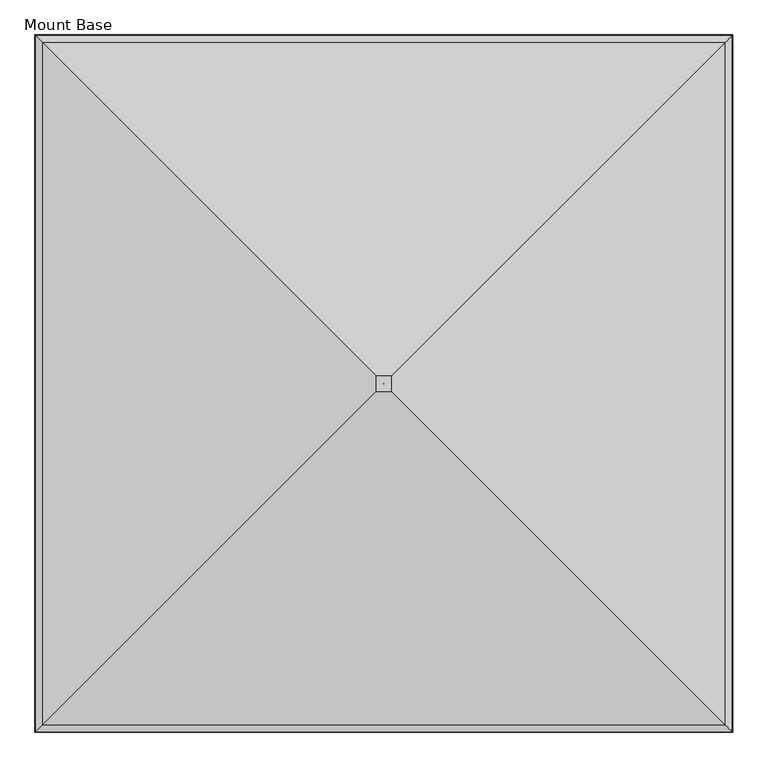
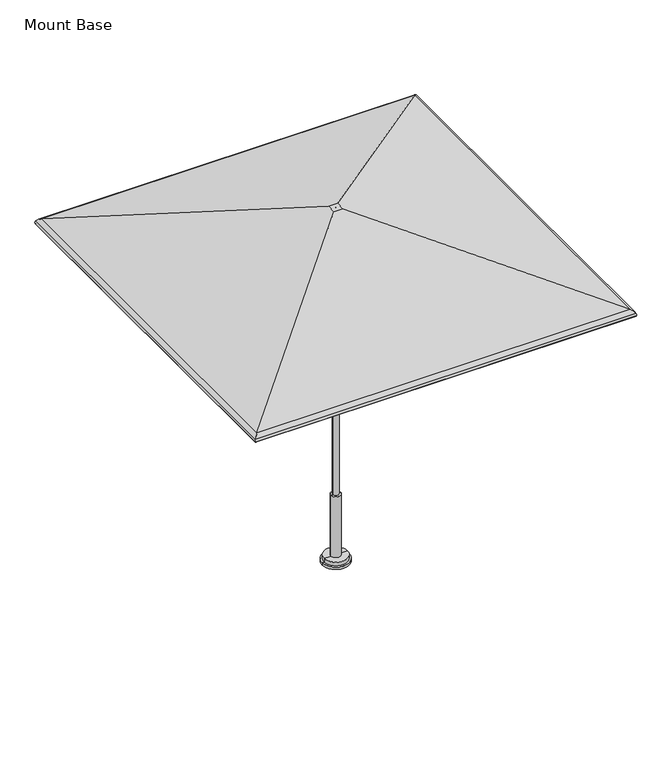
"""IFC4 building model written with IfcOpenShell, lengths in millimetres: furniture geometry, Mount Base."""

from ifc_helpers import new_model, si_unit, frame, origin, place, context, project, spatial, polyline, circle_curve, ellipse_curve, source, transform, mapped, element, save
from ifc_brep_helpers import plane_surface, cylinder_surface, revolved_surface, advanced_brep


def mount_base_bec93629(model_context):
    return source(origin(), model_context, "Body", "AdvancedBrep", [
        advanced_brep(
        [(1223.4008004, -1227.8003535, 2056.1384861), (29.1271987, -33.5267518, 2448.9851097), (-29.1271987, -33.5267518, 2448.9851097), (-1223.4008004, -1227.8003535, 2056.1384861), (1247.9240129, -1252.323566, 2036.3991387), (-1247.9240129, -1252.323566, 2036.3991387), (1250.4423911, -1254.8419442, 2016.9581742), (-1250.4423911, -1254.8419442, 2016.9581742), (1246.050839, -1250.4503921, 2018.201129), (-1246.050839, -1250.4503921, 2018.201129), (1243.9941233, -1248.3936765, 2034.0782262), (-1243.9941233, -1248.3936765, 2034.0782262), (1221.9738888, -1226.3734419, 2051.8032133), (-1221.9738888, -1226.3734419, 2051.8032133), (28.3958193, -32.7953724, 2444.4210472), (-28.3958193, -32.7953724, 2444.4210472), (0.1068966, -4.5064497, 2448.9851097), (0.1068966, -4.5064497, 2444.4210472), (-0.1068966, -4.5064497, 2444.4210472), (-0.1068966, -4.5064497, 2448.9851097), (-29.1271987, 25.4668702, 2448.9851097), (-1223.4008004, 1219.740472, 2056.1384861), (-1247.9240129, 1244.2636844, 2036.3991387), (-1250.4423911, 1246.7820627, 2016.9581742), (-1246.050839, 1242.3905106, 2018.201129), (-1243.9941233, 1240.3337949, 2034.0782262), (-1221.9738888, 1218.3135603, 2051.8032133), (-28.3958193, 24.7354908, 2444.4210472), (-0.1068966, -3.5534318, 2444.4210472), (-0.1068966, -3.5534318, 2448.9851097), (29.1271987, 25.4668702, 2448.9851097), (1223.4008004, 1219.740472, 2056.1384861), (1247.9240129, 1244.2636844, 2036.3991387), (1250.4423911, 1246.7820627, 2016.9581742), (1246.050839, 1242.3905106, 2018.201129), (1243.9941233, 1240.3337949, 2034.0782262), (1221.9738888, 1218.3135603, 2051.8032133), (28.3958193, 24.7354908, 2444.4210472), (0.1068966, -3.5534318, 2444.4210472), (0.1068966, -3.5534318, 2448.9851097)],
        [
            (0, 1),
            (1, 2),
            (2, 3),
            (3, 0),
            (4, 0, ellipse_curve(frame((1209.4091708, -1213.8087239, 2013.6530594), z_axis=(-0.707106781186547, -0.7071067811865481, 0.0), x_axis=(0.707106781186548, -0.7071067811865471, 0.0)), 63.2578403, 44.7300479)),
            (3, 5, ellipse_curve(frame((-1209.4091708, -1213.8087239, 2013.6530594), z_axis=(0.7071067811865491, -0.7071067811865459, 0.0), x_axis=(0.7071067811865458, 0.7071067811865491, 0.0)), 63.2578403, 44.7300479)),
            (5, 4),
            (6, 4, ellipse_curve(frame((1226.48639, -1230.8859431, 2023.7385164), z_axis=(-0.707106781186547, -0.7071067811865481, 0.0), x_axis=(0.707106781186548, -0.7071067811865471, 0.0)), 35.2097438, 24.8970486)),
            (5, 7, ellipse_curve(frame((-1226.48639, -1230.8859431, 2023.7385164), z_axis=(0.7071067811865491, -0.7071067811865459, 0.0), x_axis=(0.7071067811865458, 0.7071067811865491, 0.0)), 35.2097438, 24.8970486)),
            (7, 6),
            (8, 6, ellipse_curve(frame((1248.2466151, -1252.6461682, 2017.5796516), z_axis=(-0.707106781186547, -0.7071067811865481, 0.0), x_axis=(0.707106781186548, -0.7071067811865471, 0.0)), 3.2272795, 2.2820312)),
            (7, 9, ellipse_curve(frame((-1248.2466151, -1252.6461682, 2017.5796516), z_axis=(0.7071067811865491, -0.7071067811865459, 0.0), x_axis=(0.7071067811865458, 0.7071067811865491, 0.0)), 3.2272795, 2.2820312)),
            (9, 8),
            (10, 8, ellipse_curve(frame((1226.48639, -1230.8859431, 2023.7385164), z_axis=(0.707106781186547, 0.7071067811865481, 0.0), x_axis=(-0.707106781186548, 0.7071067811865471, 0.0)), 28.7551847, 20.3329861)),
            (9, 11, ellipse_curve(frame((-1226.48639, -1230.8859431, 2023.7385164), z_axis=(-0.7071067811865491, 0.7071067811865459, 0.0), x_axis=(-0.7071067811865458, -0.7071067811865491, 0.0)), 28.7551847, 20.3329861)),
            (11, 10),
            (12, 10, ellipse_curve(frame((1209.4091708, -1213.8087239, 2013.6530594), z_axis=(0.707106781186547, 0.7071067811865481, 0.0), x_axis=(-0.707106781186548, 0.7071067811865471, 0.0)), 56.8032813, 40.1659854)),
            (11, 13, ellipse_curve(frame((-1209.4091708, -1213.8087239, 2013.6530594), z_axis=(-0.7071067811865491, 0.7071067811865459, 0.0), x_axis=(-0.7071067811865458, -0.7071067811865491, 0.0)), 56.8032813, 40.1659854)),
            (13, 12),
            (14, 12),
            (13, 15),
            (15, 14),
            (16, 17),
            (17, 18),
            (18, 19),
            (19, 16),
            (2, 20),
            (20, 21),
            (21, 3),
            (21, 22, ellipse_curve(frame((-1209.4091708, 1205.7488423, 2013.6530594), z_axis=(-0.7071067811865482, -0.7071067811865469, 0.0), x_axis=(0.707106781186547, -0.707106781186548, 0.0)), 63.2578403, 44.7300479)),
            (22, 5),
            (22, 23, ellipse_curve(frame((-1226.48639, 1222.8260616, 2023.7385164), z_axis=(-0.7071067811865482, -0.7071067811865469, 0.0), x_axis=(0.707106781186547, -0.707106781186548, 0.0)), 35.2097438, 24.8970486)),
            (23, 7),
            (23, 24, ellipse_curve(frame((-1248.2466151, 1244.5862866, 2017.5796516), z_axis=(-0.7071067811865482, -0.7071067811865469, 0.0), x_axis=(0.707106781186547, -0.707106781186548, 0.0)), 3.2272795, 2.2820312)),
            (24, 9),
            (24, 25, ellipse_curve(frame((-1226.48639, 1222.8260616, 2023.7385164), z_axis=(0.7071067811865482, 0.7071067811865469, 0.0), x_axis=(-0.707106781186547, 0.707106781186548, 0.0)), 28.7551847, 20.3329861)),
            (25, 11),
            (25, 26, ellipse_curve(frame((-1209.4091708, 1205.7488423, 2013.6530594), z_axis=(0.7071067811865482, 0.7071067811865469, 0.0), x_axis=(-0.707106781186547, 0.707106781186548, 0.0)), 56.8032813, 40.1659854)),
            (26, 13),
            (26, 27),
            (27, 15),
            (18, 28),
            (28, 29),
            (29, 19),
            (20, 30),
            (30, 31),
            (31, 21),
            (31, 32, ellipse_curve(frame((1209.4091708, 1205.7488423, 2013.6530594), z_axis=(-0.7071067811865458, 0.7071067811865492, 0.0), x_axis=(-0.7071067811865492, -0.7071067811865458, 0.0)), 63.2578403, 44.7300479)),
            (32, 22),
            (32, 33, ellipse_curve(frame((1226.48639, 1222.8260616, 2023.7385164), z_axis=(-0.7071067811865458, 0.7071067811865492, 0.0), x_axis=(-0.7071067811865492, -0.7071067811865458, 0.0)), 35.2097438, 24.8970486)),
            (33, 23),
            (33, 34, ellipse_curve(frame((1248.2466151, 1244.5862866, 2017.5796516), z_axis=(-0.7071067811865458, 0.7071067811865492, 0.0), x_axis=(-0.7071067811865492, -0.7071067811865458, 0.0)), 3.2272795, 2.2820312)),
            (34, 24),
            (34, 35, ellipse_curve(frame((1226.48639, 1222.8260616, 2023.7385164), z_axis=(0.7071067811865458, -0.7071067811865492, 0.0), x_axis=(0.7071067811865492, 0.7071067811865458, 0.0)), 28.7551847, 20.3329861)),
            (35, 25),
            (35, 36, ellipse_curve(frame((1209.4091708, 1205.7488423, 2013.6530594), z_axis=(0.7071067811865458, -0.7071067811865492, 0.0), x_axis=(0.7071067811865492, 0.7071067811865458, 0.0)), 56.8032813, 40.1659854)),
            (36, 26),
            (36, 37),
            (37, 27),
            (28, 38),
            (38, 39),
            (39, 29),
            (30, 1),
            (0, 31),
            (4, 32),
            (6, 33),
            (8, 34),
            (10, 35),
            (12, 36),
            (14, 37),
            (17, 38),
            (16, 39),
        ],
        [
            plane_surface(frame((29.1271987, -33.5267518, 2448.9851097), z_axis=(0.0, -0.3124708984398308, 0.9499273328145712), x_axis=(-1.0, 0.0, 0.0))),
            cylinder_surface(frame((1267.8016718, -1213.8087239, 2013.6530594), z_axis=(1.0, 0.0, 0.0), x_axis=(0.0, -1.0, 0.0)), 44.7300479),
            cylinder_surface(frame((1267.8016718, -1230.8859431, 2023.7385164), z_axis=(1.0, 0.0, 0.0), x_axis=(0.0, -1.0, 0.0)), 24.8970486),
            cylinder_surface(frame((1267.8016718, -1252.6461682, 2017.5796516), z_axis=(1.0, 0.0, 0.0), x_axis=(0.0, -1.0, 0.0)), 2.2820312),
            revolved_surface(polyline([(-1246.8193760956415, -1251.2189292, 2023.7385164), (1246.8193760956417, -1251.2189292, 2023.7385164)]), (1267.8016718, -1230.8859431, 2023.7385164), (-1.0, 0.0, 0.0)),
            revolved_surface(polyline([(-1249.5751562008768, -1253.9747092999999, 2013.6530594), (1249.575156200877, -1253.9747092999999, 2013.6530594)]), (1267.8016718, -1213.8087239, 2013.6530594), (-1.0, 0.0, 0.0)),
            plane_surface(frame((1221.9738888, -1226.3734419, 2051.8032133), z_axis=(0.0, 0.3124708984398308, -0.9499273328145712), x_axis=(-1.0, 0.0, 0.0))),
            plane_surface(frame((0.1068966, -4.5064497, 2444.4210472), z_axis=(-1.2662550629033169e-12, 1.0, 0.0), x_axis=(-1.0, -1.2662550629033169e-12, 0.0))),
            plane_surface(frame((-29.1271987, -33.5267518, 2448.9851097), z_axis=(-0.3124708984398277, 0.0, 0.9499273328145722), x_axis=(0.0, 1.0, 0.0))),
            cylinder_surface(frame((-1209.4091708, -1272.2012249, 2013.6530594), z_axis=(0.0, -1.0, 0.0), x_axis=(-1.0, 0.0, 0.0)), 44.7300479),
            cylinder_surface(frame((-1226.48639, -1272.2012249, 2023.7385164), z_axis=(0.0, -1.0, 0.0), x_axis=(-1.0, 0.0, 0.0)), 24.8970486),
            cylinder_surface(frame((-1248.2466151, -1272.2012249, 2017.5796516), z_axis=(0.0, -1.0, 0.0), x_axis=(-1.0, 0.0, 0.0)), 2.2820312),
            revolved_surface(polyline([(-1246.8193761, 1243.1590476956417, 2023.7385164), (-1246.8193761, -1251.2189291956417, 2023.7385164)]), (-1226.48639, -1272.2012249, 2023.7385164), (0.0, 1.0, 0.0)),
            revolved_surface(polyline([(-1249.5751562, 1245.9148277008771, 2013.6530594), (-1249.5751562, -1253.974709300877, 2013.6530594)]), (-1209.4091708, -1272.2012249, 2013.6530594), (0.0, 1.0, 0.0)),
            plane_surface(frame((-1221.9738888, -1226.3734419, 2051.8032133), z_axis=(0.3124708984398277, 0.0, -0.9499273328145722), x_axis=(0.0, 1.0, 0.0))),
            plane_surface(frame((-0.1068966, -4.5064497, 2444.4210472), z_axis=(1.0, 0.0, 0.0), x_axis=(0.0, 1.0, 0.0))),
            plane_surface(frame((-29.1271987, 25.4668702, 2448.9851097), z_axis=(0.0, 0.31247089843983084, 0.9499273328145712), x_axis=(1.0, 0.0, 0.0))),
            cylinder_surface(frame((-1267.8016718, 1205.7488423, 2013.6530594), z_axis=(-1.0, 0.0, 0.0), x_axis=(0.0, 1.0, 0.0)), 44.7300479),
            cylinder_surface(frame((-1267.8016718, 1222.8260616, 2023.7385164), z_axis=(-1.0, 0.0, 0.0), x_axis=(0.0, 1.0, 0.0)), 24.8970486),
            cylinder_surface(frame((-1267.8016718, 1244.5862866, 2017.5796516), z_axis=(-1.0, 0.0, 0.0), x_axis=(0.0, 1.0, 0.0)), 2.2820312),
            revolved_surface(polyline([(1246.819376095642, 1243.1590477, 2023.7385164), (-1246.8193760956417, 1243.1590477, 2023.7385164)]), (-1267.8016718, 1222.8260616, 2023.7385164), (1.0, 0.0, 0.0)),
            revolved_surface(polyline([(1249.5751562008772, 1245.9148277, 2013.6530594), (-1249.575156200877, 1245.9148277, 2013.6530594)]), (-1267.8016718, 1205.7488423, 2013.6530594), (1.0, 0.0, 0.0)),
            plane_surface(frame((-1221.9738888, 1218.3135603, 2051.8032133), z_axis=(0.0, -0.31247089843983084, -0.9499273328145712), x_axis=(1.0, 0.0, 0.0))),
            plane_surface(frame((-0.1068966, -3.5534318, 2444.4210472), z_axis=(-1.2662550628904897e-12, -1.0, 0.0), x_axis=(1.0, -1.2662550628904897e-12, 0.0))),
            plane_surface(frame((29.1271987, 25.4668702, 2448.9851097), z_axis=(0.312470898439834, 0.0, 0.9499273328145701), x_axis=(0.0, -1.0, 0.0))),
            cylinder_surface(frame((1209.4091708, 1264.1413433, 2013.6530594), z_axis=(0.0, 1.0, 0.0), x_axis=(1.0, 0.0, 0.0)), 44.7300479),
            cylinder_surface(frame((1226.48639, 1264.1413433, 2023.7385164), z_axis=(0.0, 1.0, 0.0), x_axis=(1.0, 0.0, 0.0)), 24.8970486),
            cylinder_surface(frame((1248.2466151, 1264.1413433, 2017.5796516), z_axis=(0.0, 1.0, 0.0), x_axis=(1.0, 0.0, 0.0)), 2.2820312),
            revolved_surface(polyline([(1246.8193761, -1251.2189291956413, 2023.7385164), (1246.8193761, 1243.1590476956417, 2023.7385164)]), (1226.48639, 1264.1413433, 2023.7385164), (0.0, -1.0, 0.0)),
            revolved_surface(polyline([(1249.5751562, -1253.974709300877, 2013.6530594), (1249.5751562, 1245.914827700877, 2013.6530594)]), (1209.4091708, 1264.1413433, 2013.6530594), (0.0, -1.0, 0.0)),
            plane_surface(frame((1221.9738888, 1218.3135603, 2051.8032133), z_axis=(-0.312470898439834, 0.0, -0.9499273328145701), x_axis=(0.0, -1.0, 0.0))),
            plane_surface(frame((28.3958193, 24.7354908, 2444.4210472), z_axis=(0.0, 0.0, -1.0), x_axis=(0.0, -1.0, 0.0))),
            plane_surface(frame((0.1068966, -3.5534318, 2444.4210472), z_axis=(-1.0, 0.0, 0.0), x_axis=(0.0, -1.0, 0.0))),
            plane_surface(frame((0.1068966, -3.5534318, 2448.9851097), z_axis=(0.0, 0.0, 1.0), x_axis=(0.0, -1.0, 0.0))),
        ],
        [
            (0, [[1, 2, 3, 4]]),
            (1, [[5, -4, 6, 7]]),
            (2, [[8, -7, 9, 10]]),
            (3, [[11, -10, 12, 13]]),
            (4, [[14, -13, 15, 16]]),
            (5, [[17, -16, 18, 19]]),
            (6, [[20, -19, 21, 22]]),
            (7, [[23, 24, 25, 26]]),
            (8, [[-3, 27, 28, 29]]),
            (9, [[-6, -29, 30, 31]]),
            (10, [[-9, -31, 32, 33]]),
            (11, [[-12, -33, 34, 35]]),
            (12, [[-15, -35, 36, 37]]),
            (13, [[-18, -37, 38, 39]]),
            (14, [[-21, -39, 40, 41]]),
            (15, [[-25, 42, 43, 44]]),
            (16, [[-28, 45, 46, 47]]),
            (17, [[-30, -47, 48, 49]]),
            (18, [[-32, -49, 50, 51]]),
            (19, [[-34, -51, 52, 53]]),
            (20, [[-36, -53, 54, 55]]),
            (21, [[-38, -55, 56, 57]]),
            (22, [[-40, -57, 58, 59]]),
            (23, [[-43, 60, 61, 62]]),
            (24, [[-46, 63, -1, 64]]),
            (25, [[-48, -64, -5, 65]]),
            (26, [[-50, -65, -8, 66]]),
            (27, [[-52, -66, -11, 67]]),
            (28, [[-54, -67, -14, 68]]),
            (29, [[-56, -68, -17, 69]]),
            (30, [[-58, -69, -20, 70]]),
            (31, [[-41, -59, -70, -22], [71, -60, -42, -24]]),
            (32, [[-61, -71, -23, 72]]),
            (33, [[-63, -45, -27, -2], [-44, -62, -72, -26]]),
        ],
    ),
        advanced_brep(
        [(-88.9, -4.0299408, 15.8750008), (88.9, -4.0299408, 15.8750008), (88.9, -4.0299408, 0.0), (-88.9, -4.0299408, 0.0), (-76.2, -4.0299408, 15.8750008), (76.2, -4.0299408, 15.8750008), (-76.2, -4.0299408, 41.2750008), (76.2, -4.0299408, 41.2750008), (0.0, -4.0299408, 41.2750008), (0.0, -4.0299408, 0.0)],
        [
            (0, 1, circle_curve(frame((0.0, -4.0299408, 15.8750008), z_axis=(0.0, 0.0, -1.0), x_axis=(1.0, 0.0, 0.0)), 88.9)),
            (1, 2),
            (2, 3, circle_curve(frame((0.0, -4.0299408, 0.0), z_axis=(0.0, 0.0, 1.0), x_axis=(1.0, 0.0, 0.0)), 88.9)),
            (3, 0),
            (1, 0, circle_curve(frame((0.0, -4.0299408, 15.8750008), z_axis=(0.0, 0.0, -1.0), x_axis=(1.0, 0.0, 0.0)), 88.9)),
            (3, 2, circle_curve(frame((0.0, -4.0299408, 0.0), z_axis=(0.0, 0.0, 1.0), x_axis=(1.0, 0.0, 0.0)), 88.9)),
            (4, 5, circle_curve(frame((0.0, -4.0299408, 15.8750008), z_axis=(0.0, 0.0, -1.0), x_axis=(1.0, 0.0, 0.0)), 76.2)),
            (5, 1),
            (0, 4),
            (5, 4, circle_curve(frame((0.0, -4.0299408, 15.8750008), z_axis=(0.0, 0.0, -1.0), x_axis=(1.0, 0.0, 0.0)), 76.2)),
            (6, 7, circle_curve(frame((0.0, -4.0299408, 41.2750008), z_axis=(0.0, 0.0, -1.0), x_axis=(1.0, 0.0, 0.0)), 76.2)),
            (7, 5),
            (4, 6),
            (7, 6, circle_curve(frame((0.0, -4.0299408, 41.2750008), z_axis=(0.0, 0.0, -1.0), x_axis=(1.0, 0.0, 0.0)), 76.2)),
            (8, 7),
            (6, 8),
            (2, 9),
            (9, 3),
        ],
        [
            cylinder_surface(frame((0.0, -4.0299408, 161.9250008), z_axis=(0.0, 0.0, 1.0), x_axis=(1.0, 0.0, 0.0)), 88.9),
            plane_surface(frame((0.0, -4.0299408, 15.8750008), z_axis=(0.0, 0.0, 1.0), x_axis=(1.0, 0.0, 0.0))),
            cylinder_surface(frame((0.0, -4.0299408, 161.9250008), z_axis=(0.0, 0.0, 1.0), x_axis=(1.0, 0.0, 0.0)), 76.2),
            plane_surface(frame((0.0, -4.0299408, 41.2750008), z_axis=(0.0, 0.0, 1.0), x_axis=(1.0, 0.0, 0.0))),
            plane_surface(frame((0.0, -4.0299408, 0.0), z_axis=(0.0, 0.0, -1.0), x_axis=(1.0, 0.0, 0.0))),
        ],
        [
            (0, [[1, 2, 3, 4]]),
            (0, [[5, -4, 6, -2]]),
            (1, [[7, 8, -1, 9]]),
            (1, [[10, -9, -5, -8]]),
            (2, [[11, 12, -7, 13]]),
            (2, [[14, -13, -10, -12]]),
            (3, [[15, -11, 16]]),
            (3, [[-16, -14, -15]]),
            (4, [[-3, 17, 18]]),
            (4, [[-6, -18, -17]]),
        ],
    ),
        advanced_brep(
        [(-19.05, -4.0299408, 463.5500121), (19.05, -4.0299408, 463.5500121), (31.7499992, -4.0299408, 463.5500121), (-31.7499992, -4.0299408, 463.5500121), (-19.05, -4.0299408, 1873.1507813), (19.05, -4.0299408, 1873.1507813), (0.0, -4.0299408, 1873.1507813), (-31.7499992, -4.0299408, 25.4), (31.7499992, -4.0299408, 25.4), (0.0, -4.0299408, 25.4)],
        [
            (0, 1, circle_curve(frame((0.0, -4.0299408, 463.5500121), z_axis=(0.0, 0.0, -1.0), x_axis=(1.0, 0.0, 0.0)), 19.05)),
            (1, 2),
            (2, 3, circle_curve(frame((0.0, -4.0299408, 463.5500121), z_axis=(0.0, 0.0, 1.0), x_axis=(1.0, 0.0, 0.0)), 31.7499992)),
            (3, 0),
            (1, 0, circle_curve(frame((0.0, -4.0299408, 463.5500121), z_axis=(0.0, 0.0, -1.0), x_axis=(1.0, 0.0, 0.0)), 19.05)),
            (3, 2, circle_curve(frame((0.0, -4.0299408, 463.5500121), z_axis=(0.0, 0.0, 1.0), x_axis=(1.0, 0.0, 0.0)), 31.7499992)),
            (4, 5, circle_curve(frame((0.0, -4.0299408, 1873.1507813), z_axis=(0.0, 0.0, -1.0), x_axis=(1.0, 0.0, 0.0)), 19.05)),
            (5, 1),
            (0, 4),
            (5, 4, circle_curve(frame((0.0, -4.0299408, 1873.1507813), z_axis=(0.0, 0.0, -1.0), x_axis=(1.0, 0.0, 0.0)), 19.05)),
            (6, 5),
            (4, 6),
            (7, 8, circle_curve(frame((0.0, -4.0299408, 25.4), z_axis=(0.0, 0.0, -1.0), x_axis=(1.0, 0.0, 0.0)), 31.7499992)),
            (8, 9),
            (9, 7),
            (8, 7, circle_curve(frame((0.0, -4.0299408, 25.4), z_axis=(0.0, 0.0, -1.0), x_axis=(1.0, 0.0, 0.0)), 31.7499992)),
            (2, 8),
            (7, 3),
        ],
        [
            plane_surface(frame((0.0, -4.0299408, 463.5500121), z_axis=(0.0, 0.0, 1.0), x_axis=(1.0, 0.0, 0.0))),
            cylinder_surface(frame((0.0, -4.0299408, 2736.7507813), z_axis=(0.0, 0.0, 1.0), x_axis=(1.0, 0.0, 0.0)), 19.05),
            plane_surface(frame((0.0, -4.0299408, 1873.1507813), z_axis=(0.0, 0.0, 1.0), x_axis=(1.0, 0.0, 0.0))),
            plane_surface(frame((0.0, -4.0299408, 25.4), z_axis=(0.0, 0.0, -1.0), x_axis=(1.0, 0.0, 0.0))),
            cylinder_surface(frame((0.0, -4.0299408, 2736.7507813), z_axis=(0.0, 0.0, 1.0), x_axis=(1.0, 0.0, 0.0)), 31.7499992),
        ],
        [
            (0, [[1, 2, 3, 4]]),
            (0, [[5, -4, 6, -2]]),
            (1, [[7, 8, -1, 9]]),
            (1, [[10, -9, -5, -8]]),
            (2, [[11, -7, 12]]),
            (2, [[-12, -10, -11]]),
            (3, [[13, 14, 15]]),
            (3, [[16, -15, -14]]),
            (4, [[-3, 17, -13, 18]]),
            (4, [[-6, -18, -16, -17]]),
        ],
    ),
    ])


if __name__ == "__main__":
    model = new_model("IFC4")
    model_context = context("Model", 3, world=origin())
    ifc_project = project(units=[si_unit("LENGTHUNIT", "METRE", prefix="MILLI")], contexts=[model_context])
    site = spatial("IfcSite", under=ifc_project)
    building = spatial("IfcBuilding", under=site)
    placement = place(None, origin())
    mount_base_shape = mount_base_bec93629(model_context)
    element("IfcFurniture", 1, ObjectType="Mount Base", at=placement, inside=building, context=model_context, shape_type="MappedRepresentation", body=[
        mapped(mount_base_shape, transform((0.0, 0.0, 0.0), x_axis=(1.0, 0.0, 0.0), y_axis=(0.0, 1.0, 0.0), z_axis=(0.0, 0.0, 1.0))),
    ])
    save(model, "model.ifc")
